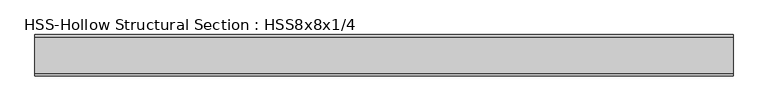
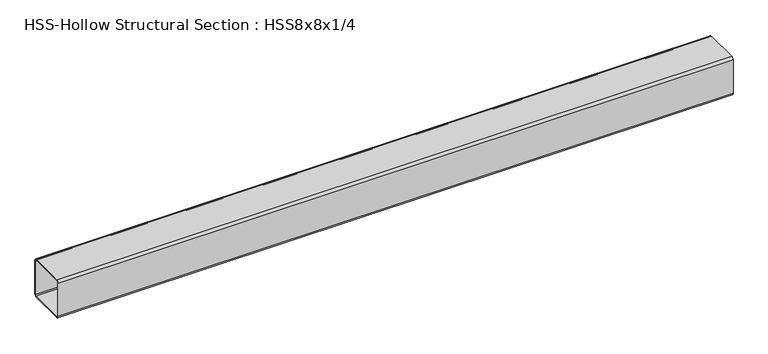
"""IFC4 building model written with IfcOpenShell, lengths in millimetres: member geometry, HSS-Hollow Structural Section : HSS8x8x1/4."""

from ifc_helpers import new_model, si_unit, point, frame, frame_2d, origin, place, context, project, spatial, polyline, circle_curve, trimmed, segment, composite_curve, outline, extrude, source, transform, mapped, element, save


def hss_hollow_structural_section_hss8x8x1_4_3b79d4df(model_context):
    return source(origin(), model_context, "Body", "SweptSolid", [
        extrude(outline(composite_curve([segment(polyline([(101.6, 89.7636), (101.6, -89.7636)]), True, "CONTINUOUS"), segment(trimmed(circle_curve(frame_2d((89.7636, -89.7636)), 11.8364), [point((101.6, -89.7636))], [point((89.7636, -101.6))], False, "CARTESIAN"), True, "CONTINUOUS"), segment(polyline([(89.7636, -101.6), (-89.7636, -101.6)]), True, "CONTINUOUS"), segment(trimmed(circle_curve(frame_2d((-89.7636, -89.7636)), 11.8364), [point((-89.7636, -101.6))], [point((-101.6, -89.7636))], False, "CARTESIAN"), True, "CONTINUOUS"), segment(polyline([(-101.6, -89.7636), (-101.6, 89.7636)]), True, "CONTINUOUS"), segment(trimmed(circle_curve(frame_2d((-89.7636, 89.7636)), 11.8364), [point((-101.6, 89.7636))], [point((-89.7636, 101.6))], False, "CARTESIAN"), True, "CONTINUOUS"), segment(polyline([(-89.7636, 101.6), (89.7636, 101.6)]), True, "CONTINUOUS"), segment(trimmed(circle_curve(frame_2d((89.7636, 89.7636)), 11.8364), [point((89.7636, 101.6))], [point((101.6, 89.7636))], False, "CARTESIAN"), True, "CONTINUOUS")], self_intersect=False), holes=[composite_curve([segment(trimmed(circle_curve(frame_2d((-89.7636, 89.7636)), 5.9182), [point((-89.7636, 95.6818))], [point((-95.6818, 89.7636))], True, "CARTESIAN"), True, "CONTINUOUS"), segment(polyline([(-95.6818, 89.7636), (-95.6818, -89.7636)]), True, "CONTINUOUS"), segment(trimmed(circle_curve(frame_2d((-89.7636, -89.7636)), 5.9182), [point((-95.6818, -89.7636))], [point((-89.7636, -95.6818))], True, "CARTESIAN"), True, "CONTINUOUS"), segment(polyline([(-89.7636, -95.6818), (89.7636, -95.6818)]), True, "CONTINUOUS"), segment(trimmed(circle_curve(frame_2d((89.7636, -89.7636)), 5.9182), [point((89.7636, -95.6818))], [point((95.6818, -89.7636))], True, "CARTESIAN"), True, "CONTINUOUS"), segment(polyline([(95.6818, -89.7636), (95.6818, 89.7636)]), True, "CONTINUOUS"), segment(trimmed(circle_curve(frame_2d((89.7636, 89.7636)), 5.9182), [point((95.6818, 89.7636))], [point((89.7636, 95.6818))], True, "CARTESIAN"), True, "CONTINUOUS"), segment(polyline([(89.7636, 95.6818), (-89.7636, 95.6818)]), True, "CONTINUOUS")], self_intersect=False)]), frame((-1765.4643144, 0.0, 0.0), z_axis=(1.0, 0.0, 0.0), x_axis=(0.0, 1.0, 0.0)), (0.0, 0.0, 1.0), 3437.419429),
    ])


if __name__ == "__main__":
    model = new_model("IFC4")
    model_context = context("Model", 3, world=origin())
    ifc_project = project(units=[si_unit("LENGTHUNIT", "METRE", prefix="MILLI")], contexts=[model_context])
    site = spatial("IfcSite", under=ifc_project)
    building = spatial("IfcBuilding", under=site)
    placement = place(None, origin())
    hss_hollow_structural_section_hss8x8x1_4_shape = hss_hollow_structural_section_hss8x8x1_4_3b79d4df(model_context)
    element("IfcMember", 1, ObjectType="HSS-Hollow Structural Section : HSS8x8x1/4", at=placement, inside=building, context=model_context, shape_type="MappedRepresentation", body=[
        mapped(hss_hollow_structural_section_hss8x8x1_4_shape, transform((0.0, 0.0, 0.0), x_axis=(1.0, 0.0, 0.0), y_axis=(0.0, 1.0, 0.0), z_axis=(0.0, 0.0, 1.0))),
    ])
    save(model, "model.ifc")
